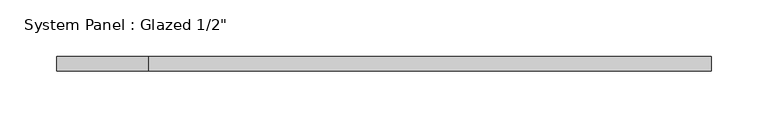
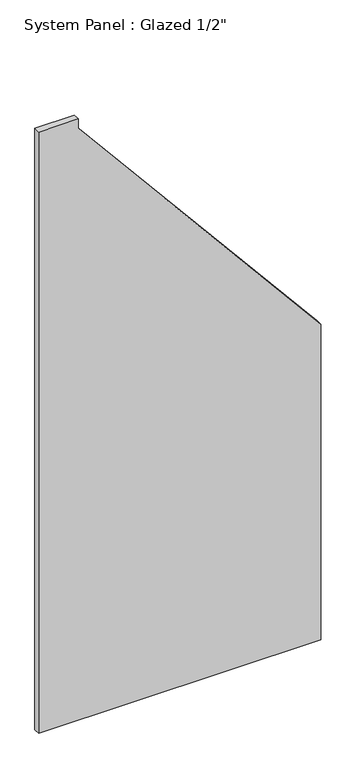
"""IFC4 building model written with IfcOpenShell, lengths in millimetres: plate geometry."""

from ifc_helpers import new_model, si_unit, frame, origin, place, context, project, spatial, polyline, outline, extrude, source, transform, mapped, element, save


def plate_050556c2(model_context):
    return source(origin(), model_context, "Body", "SweptSolid", [
        extrude(outline(polyline([(0.0, -288.1456866), (0.0, 288.1456866), (680.2945834, 288.1456866), (1275.9903707, -207.5031685), (1296.5067848, -207.5031685), (1296.5067848, -288.1456866), (0.0, -288.1456866)])), frame((0.0, -6.35, 0.0), z_axis=(0.0, 1.0, 0.0), x_axis=(0.0, 0.0, 1.0)), (0.0, 0.0, 1.0), 12.7),
    ])


if __name__ == "__main__":
    model = new_model("IFC4")
    model_context = context("Model", 3, world=origin())
    ifc_project = project(units=[si_unit("LENGTHUNIT", "METRE", prefix="MILLI")], contexts=[model_context])
    site = spatial("IfcSite", under=ifc_project)
    building = spatial("IfcBuilding", under=site)
    placement = place(None, origin())
    plate_shape = plate_050556c2(model_context)
    element("IfcPlate", 1, ObjectType="System Panel : Glazed 1/2\"", at=placement, inside=building, context=model_context, shape_type="MappedRepresentation", body=[
        mapped(plate_shape, transform((0.0, 0.0, 0.0), x_axis=(1.0, 0.0, 0.0), y_axis=(0.0, 1.0, 0.0), z_axis=(0.0, 0.0, 1.0))),
    ])
    save(model, "model.ifc")
